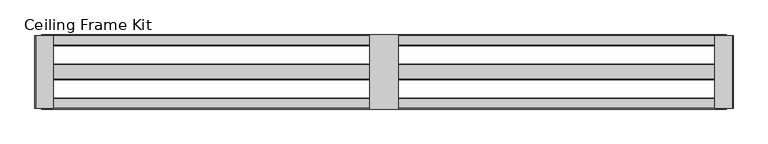
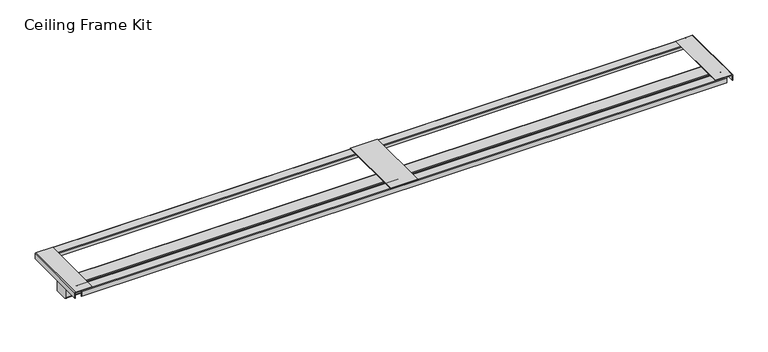
"""IFC4 building model written with IfcOpenShell, lengths in millimetres: proxy geometry, Ceiling Frame Kit."""

from ifc_helpers import new_model, si_unit, point, frame, frame_2d, origin, place, context, project, spatial, polyline, circle_curve, trimmed, segment, composite_curve, outline, extrude, source, transform, mapped, element, save


def ceiling_frame_kit_970fca3f(model_context):
    return source(origin(), model_context, "Body", "SweptSolid", [
        extrude(outline(polyline([(941.0576389, 252.6359375), (1042.6576389, 252.6359375), (1042.6576389, -7.7140625), (941.0576389, -7.7140625), (941.0576389, 252.6359375)])), frame((0.0, 0.0, 3059.1125), z_axis=(0.0, 0.0, 1.0), x_axis=(1.0, 0.0, 0.0)), (0.0, 0.0, 1.0), 1.5875),
        extrude(outline(composite_curve([segment(trimmed(circle_curve(frame_2d((250.3710963, 3056.9111588)), 1.0456412), [point((251.4167375, 3056.9111588))], [point((250.3710963, 3057.9568))], True, "CARTESIAN"), True, "CONTINUOUS"), segment(polyline([(250.3710963, 3057.9568), (216.9675311, 3057.9568)]), True, "CONTINUOUS"), segment(trimmed(circle_curve(frame_2d((216.9675311, 3057.1254064)), 0.8313936), [point((216.9675311, 3057.9568))], [point((216.1361375, 3057.1254064))], True, "CARTESIAN"), True, "CONTINUOUS"), segment(polyline([(216.1361375, 3057.1254064), (216.1361375, 3046.476), (214.9169375, 3046.476), (214.9169375, 3056.9623653)]), True, "CONTINUOUS"), segment(trimmed(circle_curve(frame_2d((217.1305722, 3056.9623653)), 2.2136347), [point((214.9169375, 3056.9623653))], [point((217.1305722, 3059.176))], False, "CARTESIAN"), True, "CONTINUOUS"), segment(polyline([(217.1305722, 3059.176), (250.5056994, 3059.176)]), True, "CONTINUOUS"), segment(trimmed(circle_curve(frame_2d((250.5056994, 3057.0457619)), 2.1302381), [point((250.5056994, 3059.176))], [point((252.6359375, 3057.0457619))], False, "CARTESIAN"), True, "CONTINUOUS"), segment(polyline([(252.6359375, 3057.0457619), (252.6359375, 3038.2837), (251.4167375, 3038.2837), (251.4167375, 3056.9111588)]), True, "CONTINUOUS")], self_intersect=False)), frame((-209.7135522, 0.0, 0.0), z_axis=(1.0, 0.0, 0.0), x_axis=(0.0, 1.0, 0.0)), (0.0, 0.0, 1.0), 2403.1423822),
        extrude(outline(composite_curve([segment(polyline([(28.7857375, 3046.476), (28.7857375, 3056.939757)]), True, "CONTINUOUS"), segment(trimmed(circle_curve(frame_2d((27.7686945, 3056.939757)), 1.017043), [point((28.7857375, 3056.939757))], [point((27.7686945, 3057.9568))], True, "CARTESIAN"), True, "CONTINUOUS"), segment(polyline([(27.7686945, 3057.9568), (-5.6179457, 3057.9568)]), True, "CONTINUOUS"), segment(trimmed(circle_curve(frame_2d((-5.6179457, 3057.0798832)), 0.8769168), [point((-5.6179457, 3057.9568))], [point((-6.4948625, 3057.0798832))], True, "CARTESIAN"), True, "CONTINUOUS"), segment(polyline([(-6.4948625, 3057.0798832), (-6.4948625, 3038.2837), (-7.7140625, 3038.2837), (-7.7140625, 3057.0872847)]), True, "CONTINUOUS"), segment(trimmed(circle_curve(frame_2d((-5.6253472, 3057.0872847)), 2.0887153), [point((-7.7140625, 3057.0872847))], [point((-5.6253472, 3059.176))], False, "CARTESIAN"), True, "CONTINUOUS"), segment(polyline([(-5.6253472, 3059.176), (27.8200722, 3059.176)]), True, "CONTINUOUS"), segment(trimmed(circle_curve(frame_2d((27.8200722, 3056.9911347)), 2.1848653), [point((27.8200722, 3059.176))], [point((30.0049375, 3056.9911347))], False, "CARTESIAN"), True, "CONTINUOUS"), segment(polyline([(30.0049375, 3056.9911347), (30.0049375, 3046.476), (28.7857375, 3046.476)]), True, "CONTINUOUS")], self_intersect=False)), frame((-209.7135522, 0.0, 0.0), z_axis=(1.0, 0.0, 0.0), x_axis=(0.0, 1.0, 0.0)), (0.0, 0.0, 1.0), 2403.1423822),
        extrude(outline(composite_curve([segment(trimmed(circle_curve(frame_2d((145.976614, 2970.0470435)), 3.9112435), [point((149.8878575, 2970.0470435))], [point((145.976614, 2966.1358))], False, "CARTESIAN"), True, "CONTINUOUS"), segment(polyline([(145.976614, 2966.1358), (100.2545068, 2966.1358)]), True, "CONTINUOUS"), segment(trimmed(circle_curve(frame_2d((100.2545068, 2971.3562893)), 5.2204893), [point((100.2545068, 2966.1358))], [point((95.0340175, 2971.3562893))], False, "CARTESIAN"), True, "CONTINUOUS"), segment(polyline([(95.0340175, 2971.3562893), (95.0340175, 3007.4598892)]), True, "CONTINUOUS"), segment(trimmed(circle_curve(frame_2d((97.4741283, 3007.4598892)), 2.4401108), [point((95.0340175, 3007.4598892))], [point((97.4741283, 3009.9))], False, "CARTESIAN"), True, "CONTINUOUS"), segment(polyline([(97.4741283, 3009.9), (147.3816271, 3009.9)]), True, "CONTINUOUS"), segment(trimmed(circle_curve(frame_2d((147.3816271, 3007.3937696)), 2.5062304), [point((147.3816271, 3009.9))], [point((149.8878575, 3007.3937696))], False, "CARTESIAN"), True, "CONTINUOUS"), segment(polyline([(149.8878575, 3007.3937696), (149.8878575, 2970.0470435)]), True, "CONTINUOUS")], self_intersect=False)), frame((-209.7135522, 0.0, 0.0), z_axis=(1.0, 0.0, 0.0), x_axis=(0.0, 1.0, 0.0)), (0.0, 0.0, 1.0), 2403.1423822),
        extrude(outline(composite_curve([segment(trimmed(circle_curve(frame_2d((3058.0375326, -230.8520937)), 1.0749674), [point((3058.0375326, -231.9270611))], [point((3059.1125, -230.8520937))], True, "CARTESIAN"), True, "CONTINUOUS"), segment(polyline([(3059.1125, -230.8520937), (3059.1125, -168.4270611), (3060.7, -168.4270611), (3060.7, -230.9083107)]), True, "CONTINUOUS"), segment(trimmed(circle_curve(frame_2d((3058.0937496, -230.9083107)), 2.6062504), [point((3060.7, -230.9083107))], [point((3058.0937496, -233.5145611))], False, "CARTESIAN"), True, "CONTINUOUS"), segment(polyline([(3058.0937496, -233.5145611), (3038.475, -233.5145611), (3038.475, -231.9270611), (3058.0375326, -231.9270611)]), True, "CONTINUOUS")], self_intersect=False)), frame((0.0, -5.5390625, 0.0), z_axis=(0.0, 1.0, 0.0), x_axis=(0.0, 0.0, 1.0)), (0.0, 0.0, 1.0), 256.0000001),
        extrude(outline(composite_curve([segment(trimmed(circle_curve(frame_2d((3058.3509434, 2214.8807823)), 0.7615566), [point((3059.1125, 2214.8807823))], [point((3058.3509434, 2215.6423389))], True, "CARTESIAN"), True, "CONTINUOUS"), segment(polyline([(3058.3509434, 2215.6423389), (3038.475, 2215.6423389), (3038.475, 2217.2298389), (3058.4519064, 2217.2298389)]), True, "CONTINUOUS"), segment(trimmed(circle_curve(frame_2d((3058.4519064, 2214.9817453)), 2.2480936), [point((3058.4519064, 2217.2298389))], [point((3060.7, 2214.9817453))], False, "CARTESIAN"), True, "CONTINUOUS"), segment(polyline([(3060.7, 2214.9817453), (3060.7, 2152.1423389), (3059.1125, 2152.1423389), (3059.1125, 2214.8807823)]), True, "CONTINUOUS")], self_intersect=False)), frame((0.0, -5.5390625, 0.0), z_axis=(0.0, 1.0, 0.0), x_axis=(0.0, 0.0, 1.0)), (0.0, 0.0, 1.0), 256.0000001),
    ])


if __name__ == "__main__":
    model = new_model("IFC4")
    model_context = context("Model", 3, world=origin())
    ifc_project = project(units=[si_unit("LENGTHUNIT", "METRE", prefix="MILLI")], contexts=[model_context])
    site = spatial("IfcSite", under=ifc_project)
    building = spatial("IfcBuilding", under=site)
    placement = place(None, origin())
    ceiling_frame_kit_shape = ceiling_frame_kit_970fca3f(model_context)
    element("IfcBuildingElementProxy", 1, Name="Ceiling Frame Kit", ObjectType="Ceiling Frame Kit", at=placement, inside=building, context=model_context, shape_type="MappedRepresentation", body=[
        mapped(ceiling_frame_kit_shape, transform((0.0, 0.0, 0.0), x_axis=(1.0, 0.0, 0.0), y_axis=(0.0, 1.0, 0.0), z_axis=(0.0, 0.0, 1.0))),
    ])
    save(model, "model.ifc")
